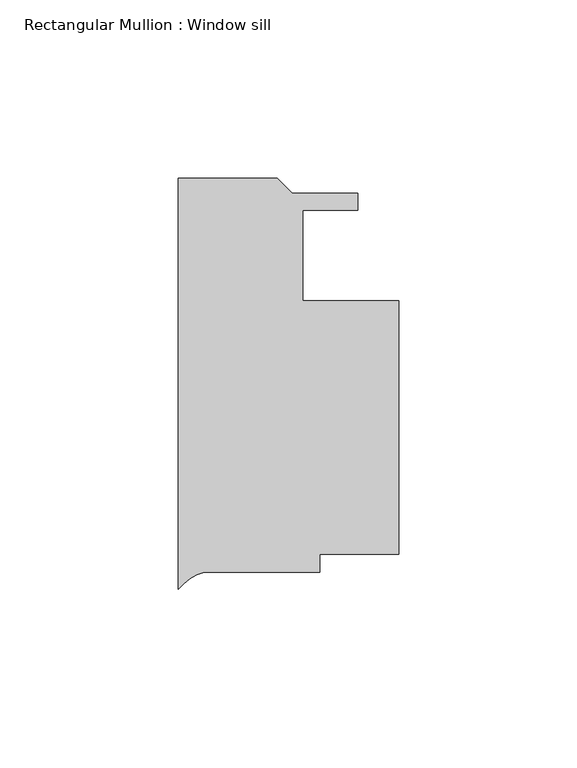
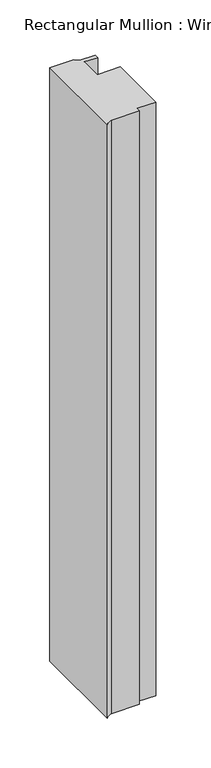
"""IFC4 building model written with IfcOpenShell, lengths in millimetres: member geometry, Rectangular Mullion : Window sill."""

from ifc_helpers import new_model, si_unit, point, frame, frame_2d, origin, place, context, project, spatial, polyline, circle_curve, trimmed, segment, composite_curve, outline, extrude, source, transform, mapped, element, save


def rectangular_mullion_window_sill_735ce238(model_context):
    return source(origin(), model_context, "Body", "SweptSolid", [
        extrude(outline(composite_curve([segment(polyline([(57.1439892, -96.5200001), (34.9189892, -96.5200001), (34.9189892, -101.6000001), (2.5240017, -101.6000001)]), True, "CONTINUOUS"), segment(trimmed(circle_curve(frame_2d((6.0511708, -114.8308138)), 13.6928942), [point((2.5240017, -101.6000001))], [point((-4.7685108, -106.4385649))], True, "CARTESIAN"), True, "CONTINUOUS"), segment(polyline([(-4.7685108, -106.4385649), (-4.7685108, 8.9661999), (23.0079309, 8.9661999), (27.2751309, 4.6989999), (45.6576387, 4.6989999), (45.6576387, -3e-07), (30.1564897, -3e-07), (30.1564897, -25.4000003), (57.1439892, -25.4000003), (57.1439892, -96.5200001)]), True, "CONTINUOUS")], self_intersect=False)), frame((0.0, 0.0, -727.090875), z_axis=(0.0, 0.0, 1.0), x_axis=(1.0, 0.0, 0.0)), (0.0, 0.0, 1.0), 727.090875),
    ])


if __name__ == "__main__":
    model = new_model("IFC4")
    model_context = context("Model", 3, world=origin())
    ifc_project = project(units=[si_unit("LENGTHUNIT", "METRE", prefix="MILLI")], contexts=[model_context])
    site = spatial("IfcSite", under=ifc_project)
    building = spatial("IfcBuilding", under=site)
    placement = place(None, origin())
    rectangular_mullion_window_sill_shape = rectangular_mullion_window_sill_735ce238(model_context)
    element("IfcMember", 1, ObjectType="Rectangular Mullion : Window sill", at=placement, inside=building, context=model_context, shape_type="MappedRepresentation", body=[
        mapped(rectangular_mullion_window_sill_shape, transform((0.0, 0.0, 0.0), x_axis=(1.0, 0.0, 0.0), y_axis=(0.0, 1.0, 0.0), z_axis=(0.0, 0.0, 1.0))),
    ])
    save(model, "model.ifc")
